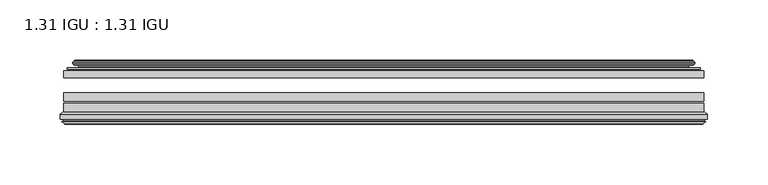
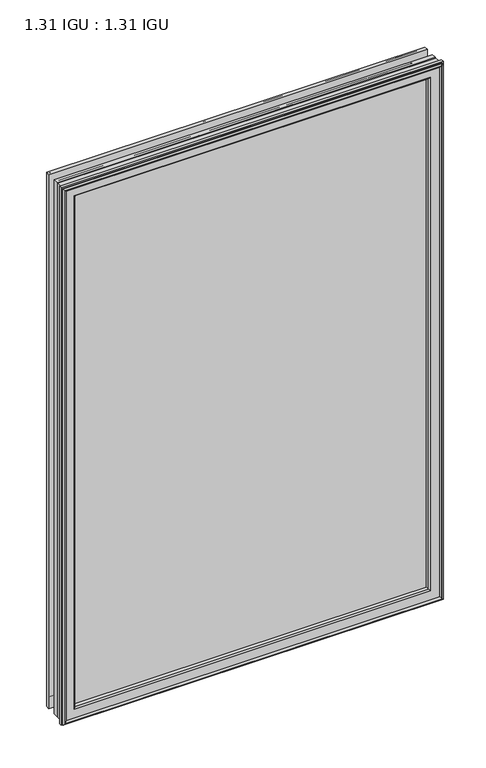
"""IFC4 building model written with IfcOpenShell, lengths in millimetres: plate geometry, 1.31 IGU : 1.31 IGU."""

from ifc_helpers import new_model, si_unit, frame, origin, place, context, project, spatial, polyline, ellipse_curve, outline, extrude, source, transform, mapped, element, save
from ifc_brep_helpers import plane_surface, cylinder_surface, revolved_surface, advanced_brep


def plate_1_31_igu_1_31_igu_9bac46fe(model_context):
    return source(origin(), model_context, "Body", "SolidModel", [
        extrude(outline(polyline([(265.1078362, -44.8960875), (265.1078362, -50.4332875), (-265.1127713, -50.4332875), (-265.1127713, -44.8960875), (265.1078362, -44.8960875)])), frame((0.0, 0.0, -14.2875), z_axis=(0.0, 0.0, 1.0), x_axis=(1.0, 0.0, 0.0)), (0.0, 0.0, 1.0), 790.47848),
        extrude(outline(polyline([(-265.1127713, -78.7796875), (-265.1127713, -71.7692875), (265.1078362, -71.7692875), (265.1078362, -78.7796875), (-265.1127713, -78.7796875)])), frame((0.0, 0.0, -14.2875), z_axis=(0.0, 0.0, 1.0), x_axis=(1.0, 0.0, 0.0)), (0.0, 0.0, 1.0), 790.47848),
        extrude(outline(polyline([(-265.1127713, -70.2452875), (-265.1127713, -63.1332875), (265.1078362, -63.1332875), (265.1078362, -70.2452875), (-265.1127713, -70.2452875)])), frame((0.0, 0.0, -14.2875), z_axis=(0.0, 0.0, 1.0), x_axis=(1.0, 0.0, 0.0)), (0.0, 0.0, 1.0), 790.47848),
        advanced_brep(
        [(-255.7674468, -37.7373382, 766.8456555), (-250.8258138, -36.3108875, 761.9040226), (-250.8258138, -36.3108875, -0.0005426), (-255.7674468, -37.7373382, -4.9421755), (-255.6023415, -36.9605789, 766.6805502), (-255.6023415, -36.9605789, -4.7770702), (-256.1978272, -36.4771203, 767.2760359), (-256.1978272, -36.4771203, -5.3725559), (-257.462463, -37.766076, 768.5406717), (-257.462463, -37.766076, -6.6371917), (-257.4516462, -38.8797852, 768.5298549), (-257.4516462, -38.8797852, -6.6263749), (-256.170161, -40.1361433, 767.2483697), (-256.170161, -40.1361433, -5.3448897), (-255.5651542, -39.649943, 766.6433629), (-255.5651542, -39.649943, -4.7398829), (-256.1191684, -39.0959287, 767.1973772), (-256.1191684, -39.0959287, -5.2938972), (-253.83336, -38.7029881, 764.9115687), (-253.83336, -38.7029881, -3.0080887), (-252.3742869, -40.2107282, 763.4524957), (-252.3742869, -40.2107282, -1.5490157), (-252.6708689, -41.651269, 763.7490776), (-252.6708689, -41.651269, -1.8455976), (-253.4420933, -42.2798875, 764.5203021), (-253.4420933, -42.2798875, -2.6168221), (-261.7460697, -43.4871542, 772.8242784), (-261.4708682, -42.2798875, 772.5490769), (-261.4708682, -42.2798875, -10.6455969), (-261.7460697, -43.4871542, -10.9207984), (-258.288501, -44.8960875, 769.3667097), (-258.288501, -44.8960875, -7.4632297), (-247.1908772, -44.023302, 758.2690859), (-247.5462152, -44.8960875, 758.6244239), (-247.5462152, -44.8960875, 3.2790561), (-247.1908772, -44.023302, 3.6343941), (-247.8620752, -43.3681812, 758.940284), (-247.8620752, -43.3681812, 2.963196), (-249.5028658, -40.6686056, 760.5810746), (-249.5028658, -40.6686056, 1.3224054), (250.8258138, -36.3108875, -0.0005426), (255.7674468, -37.7373382, -4.9421755), (255.6023415, -36.9605789, -4.7770702), (256.1978272, -36.4771203, -5.3725559), (257.462463, -37.766076, -6.6371917), (257.4516462, -38.8797852, -6.6263749), (256.170161, -40.1361433, -5.3448897), (255.5651542, -39.649943, -4.7398829), (256.1191684, -39.0959287, -5.2938972), (253.83336, -38.7029881, -3.0080887), (252.3742869, -40.2107282, -1.5490157), (252.6708689, -41.651269, -1.8455976), (253.4420933, -42.2798875, -2.6168221), (261.4708682, -42.2798875, -10.6455969), (261.7460697, -43.4871542, -10.9207984), (258.288501, -44.8960875, -7.4632297), (247.5462152, -44.8960875, 3.2790561), (247.1908772, -44.023302, 3.6343941), (247.8620752, -43.3681812, 2.963196), (249.5028658, -40.6686056, 1.3224054), (250.8258138, -36.3108875, 761.9040226), (255.7674468, -37.7373382, 766.8456555), (255.6023415, -36.9605789, 766.6805502), (256.1978272, -36.4771203, 767.2760359), (257.462463, -37.766076, 768.5406717), (257.4516462, -38.8797852, 768.5298549), (256.170161, -40.1361433, 767.2483697), (255.5651542, -39.649943, 766.6433629), (256.1191684, -39.0959287, 767.1973772), (253.83336, -38.7029881, 764.9115687), (252.3742869, -40.2107282, 763.4524957), (252.6708689, -41.651269, 763.7490776), (253.4420933, -42.2798875, 764.5203021), (261.4708682, -42.2798875, 772.5490769), (261.7460697, -43.4871542, 772.8242784), (258.288501, -44.8960875, 769.3667097), (247.5462152, -44.8960875, 758.6244239), (247.1908772, -44.023302, 758.2690859), (247.8620752, -43.3681812, 758.940284), (249.5028658, -40.6686056, 760.5810746)],
        [
            (0, 1),
            (1, 2),
            (2, 3),
            (3, 0),
            (4, 0),
            (3, 5),
            (5, 4),
            (6, 4, ellipse_curve(frame((-255.9228584, -36.746901, 767.0010671), z_axis=(-0.7071067811865475, 0.0, -0.7071067811865475), x_axis=(-0.7071067811865474, 0.0, 0.7071067811865476)), 0.5447741, 0.3852135)),
            (5, 7, ellipse_curve(frame((-255.9228584, -36.746901, -5.0975871), z_axis=(-0.7071067811865475, 0.0, 0.7071067811865475), x_axis=(0.7071067811865474, 0.0, 0.7071067811865476)), 0.5447741, 0.3852135)),
            (7, 6),
            (8, 6),
            (7, 9),
            (9, 8),
            (10, 8, ellipse_curve(frame((-256.9004099, -38.3175243, 767.9786187), z_axis=(-0.7071067811865475, 0.0, -0.7071067811865475), x_axis=(-0.7071067811865474, 0.0, 0.7071067811865476)), 1.1135518, 0.7874)),
            (9, 11, ellipse_curve(frame((-256.9004099, -38.3175243, -6.0751387), z_axis=(-0.7071067811865475, 0.0, 0.7071067811865475), x_axis=(0.7071067811865474, 0.0, 0.7071067811865476)), 1.1135518, 0.7874)),
            (11, 10),
            (12, 10),
            (11, 13),
            (13, 12),
            (14, 12, ellipse_curve(frame((-255.8965635, -39.8570738, 766.9747722), z_axis=(-0.7071067811865475, 0.0, -0.7071067811865475), x_axis=(-0.7071067811865474, 0.0, 0.7071067811865476)), 0.552694, 0.3908137)),
            (13, 15, ellipse_curve(frame((-255.8965635, -39.8570738, -5.0712922), z_axis=(-0.7071067811865475, 0.0, 0.7071067811865475), x_axis=(0.7071067811865474, 0.0, 0.7071067811865476)), 0.552694, 0.3908137)),
            (15, 14),
            (16, 14),
            (15, 17),
            (17, 16),
            (18, 16),
            (17, 19),
            (19, 18),
            (20, 18, ellipse_curve(frame((-253.6181974, -39.954629, 764.6964061), z_axis=(0.7071067811865475, 0.0, 0.7071067811865475), x_axis=(0.7071067811865474, 0.0, -0.7071067811865476)), 1.7960512, 1.27)),
            (19, 21, ellipse_curve(frame((-253.6181974, -39.954629, -2.7929261), z_axis=(0.7071067811865475, 0.0, -0.7071067811865475), x_axis=(-0.7071067811865474, 0.0, -0.7071067811865476)), 1.7960512, 1.27)),
            (21, 20),
            (22, 20),
            (21, 23),
            (23, 22),
            (24, 22, ellipse_curve(frame((-253.4420933, -41.4924875, 764.5203021), z_axis=(0.7071067811865475, 0.0, 0.7071067811865475), x_axis=(0.7071067811865474, 0.0, -0.7071067811865476)), 1.1135518, 0.7874)),
            (23, 25, ellipse_curve(frame((-253.4420933, -41.4924875, -2.6168221), z_axis=(0.7071067811865475, 0.0, -0.7071067811865475), x_axis=(-0.7071067811865474, 0.0, -0.7071067811865476)), 1.1135518, 0.7874)),
            (25, 24),
            (26, 27, ellipse_curve(frame((-261.4708682, -42.9148875, 772.5490769), z_axis=(-0.7071067811865475, 0.0, -0.7071067811865475), x_axis=(-0.7071067811865474, 0.0, 0.7071067811865476)), 0.8980256, 0.635)),
            (27, 28),
            (28, 29, ellipse_curve(frame((-261.4708682, -42.9148875, -10.6455969), z_axis=(-0.7071067811865475, 0.0, 0.7071067811865475), x_axis=(0.7071067811865474, 0.0, 0.7071067811865476)), 0.8980256, 0.635)),
            (29, 26),
            (30, 26),
            (29, 31),
            (31, 30),
            (32, 33, ellipse_curve(frame((-247.5462152, -44.3873602, 758.6244239), z_axis=(-0.7071067811865475, 0.0, -0.7071067811865475), x_axis=(-0.7071067811865474, 0.0, 0.7071067811865476)), 0.719449, 0.5087273)),
            (33, 34),
            (34, 35, ellipse_curve(frame((-247.5462152, -44.3873602, 3.2790561), z_axis=(-0.7071067811865475, 0.0, 0.7071067811865475), x_axis=(0.7071067811865474, 0.0, 0.7071067811865476)), 0.719449, 0.5087273)),
            (35, 32),
            (36, 32),
            (35, 37),
            (37, 36),
            (38, 36, ellipse_curve(frame((-243.426701, -38.823959, 754.5049098), z_axis=(0.7071067811865475, 0.0, 0.7071067811865475), x_axis=(0.7071067811865474, 0.0, -0.7071067811865476)), 8.9802561, 6.35)),
            (37, 39, ellipse_curve(frame((-243.426701, -38.823959, 7.3985702), z_axis=(0.7071067811865475, 0.0, -0.7071067811865475), x_axis=(-0.7071067811865474, 0.0, -0.7071067811865476)), 8.9802561, 6.35)),
            (39, 38),
            (1, 38),
            (39, 2),
            (2, 40),
            (40, 41),
            (41, 3),
            (41, 42),
            (42, 5),
            (42, 43, ellipse_curve(frame((255.9228584, -36.746901, -5.0975871), z_axis=(-0.7071067811865475, 0.0, -0.7071067811865475), x_axis=(-0.7071067811865476, 0.0, 0.7071067811865474)), 0.5447741, 0.3852135)),
            (43, 7),
            (43, 44),
            (44, 9),
            (44, 45, ellipse_curve(frame((256.9004099, -38.3175243, -6.0751387), z_axis=(-0.7071067811865475, 0.0, -0.7071067811865475), x_axis=(-0.7071067811865476, 0.0, 0.7071067811865474)), 1.1135518, 0.7874)),
            (45, 11),
            (45, 46),
            (46, 13),
            (46, 47, ellipse_curve(frame((255.8965635, -39.8570738, -5.0712922), z_axis=(-0.7071067811865475, 0.0, -0.7071067811865475), x_axis=(-0.7071067811865476, 0.0, 0.7071067811865474)), 0.552694, 0.3908137)),
            (47, 15),
            (47, 48),
            (48, 17),
            (48, 49),
            (49, 19),
            (49, 50, ellipse_curve(frame((253.6181974, -39.954629, -2.7929261), z_axis=(0.7071067811865475, 0.0, 0.7071067811865475), x_axis=(0.7071067811865476, 0.0, -0.7071067811865474)), 1.7960512, 1.27)),
            (50, 21),
            (50, 51),
            (51, 23),
            (51, 52, ellipse_curve(frame((253.4420933, -41.4924875, -2.6168221), z_axis=(0.7071067811865475, 0.0, 0.7071067811865475), x_axis=(0.7071067811865476, 0.0, -0.7071067811865474)), 1.1135518, 0.7874)),
            (52, 25),
            (28, 53),
            (53, 54, ellipse_curve(frame((261.4708682, -42.9148875, -10.6455969), z_axis=(-0.7071067811865475, 0.0, -0.7071067811865475), x_axis=(-0.7071067811865476, 0.0, 0.7071067811865474)), 0.8980256, 0.635)),
            (54, 29),
            (54, 55),
            (55, 31),
            (34, 56),
            (56, 57, ellipse_curve(frame((247.5462152, -44.3873602, 3.2790561), z_axis=(-0.7071067811865475, 0.0, -0.7071067811865475), x_axis=(-0.7071067811865476, 0.0, 0.7071067811865474)), 0.719449, 0.5087273)),
            (57, 35),
            (57, 58),
            (58, 37),
            (58, 59, ellipse_curve(frame((243.426701, -38.823959, 7.3985702), z_axis=(0.7071067811865475, 0.0, 0.7071067811865475), x_axis=(0.7071067811865476, 0.0, -0.7071067811865474)), 8.9802561, 6.35)),
            (59, 39),
            (59, 40),
            (40, 60),
            (60, 61),
            (61, 41),
            (61, 62),
            (62, 42),
            (62, 63, ellipse_curve(frame((255.9228584, -36.746901, 767.0010671), z_axis=(0.7071067811865475, 0.0, -0.7071067811865475), x_axis=(-0.7071067811865474, 0.0, -0.7071067811865476)), 0.5447741, 0.3852135)),
            (63, 43),
            (63, 64),
            (64, 44),
            (64, 65, ellipse_curve(frame((256.9004099, -38.3175243, 767.9786187), z_axis=(0.7071067811865475, 0.0, -0.7071067811865475), x_axis=(-0.7071067811865474, 0.0, -0.7071067811865476)), 1.1135518, 0.7874)),
            (65, 45),
            (65, 66),
            (66, 46),
            (66, 67, ellipse_curve(frame((255.8965635, -39.8570738, 766.9747722), z_axis=(0.7071067811865475, 0.0, -0.7071067811865475), x_axis=(-0.7071067811865474, 0.0, -0.7071067811865476)), 0.552694, 0.3908137)),
            (67, 47),
            (67, 68),
            (68, 48),
            (68, 69),
            (69, 49),
            (69, 70, ellipse_curve(frame((253.6181974, -39.954629, 764.6964061), z_axis=(-0.7071067811865475, 0.0, 0.7071067811865475), x_axis=(0.7071067811865474, 0.0, 0.7071067811865476)), 1.7960512, 1.27)),
            (70, 50),
            (70, 71),
            (71, 51),
            (71, 72, ellipse_curve(frame((253.4420933, -41.4924875, 764.5203021), z_axis=(-0.7071067811865475, 0.0, 0.7071067811865475), x_axis=(0.7071067811865474, 0.0, 0.7071067811865476)), 1.1135518, 0.7874)),
            (72, 52),
            (53, 73),
            (73, 74, ellipse_curve(frame((261.4708682, -42.9148875, 772.5490769), z_axis=(0.7071067811865475, 0.0, -0.7071067811865475), x_axis=(-0.7071067811865474, 0.0, -0.7071067811865476)), 0.8980256, 0.635)),
            (74, 54),
            (74, 75),
            (75, 55),
            (56, 76),
            (76, 77, ellipse_curve(frame((247.5462152, -44.3873602, 758.6244239), z_axis=(0.7071067811865475, 0.0, -0.7071067811865475), x_axis=(-0.7071067811865474, 0.0, -0.7071067811865476)), 0.719449, 0.5087273)),
            (77, 57),
            (77, 78),
            (78, 58),
            (78, 79, ellipse_curve(frame((243.426701, -38.823959, 754.5049098), z_axis=(-0.7071067811865475, 0.0, 0.7071067811865475), x_axis=(0.7071067811865474, 0.0, 0.7071067811865476)), 8.9802561, 6.35)),
            (79, 59),
            (79, 60),
            (60, 1),
            (0, 61),
            (4, 62),
            (6, 63),
            (8, 64),
            (10, 65),
            (12, 66),
            (14, 67),
            (16, 68),
            (18, 69),
            (20, 70),
            (22, 71),
            (24, 72),
            (27, 73),
            (26, 74),
            (30, 75),
            (33, 76),
            (32, 77),
            (36, 78),
            (38, 79),
        ],
        [
            plane_surface(frame((-250.8258138, -36.3108875, 761.9040226), z_axis=(-0.2773364928492854, 0.9607728502273877, 0.0), x_axis=(0.0, 0.0, -1.0))),
            plane_surface(frame((-255.7674468, -37.7373382, 766.8456555), z_axis=(0.9781476007338358, -0.2079116908176177, 0.0), x_axis=(0.0, 0.0, -1.0))),
            cylinder_surface(frame((-255.9228584, -36.746901, 793.65348), z_axis=(0.0, 0.0, 1.0), x_axis=(-1.0, 0.0, 0.0)), 0.3852135),
            plane_surface(frame((-256.1978272, -36.4771203, 767.2760359), z_axis=(-0.7138087599382162, 0.7003406701280928, 0.0), x_axis=(0.0, 0.0, -1.0))),
            cylinder_surface(frame((-256.9004099, -38.3175243, 793.65348), z_axis=(0.0, 0.0, 1.0), x_axis=(-1.0, 0.0, 0.0)), 0.7874),
            plane_surface(frame((-257.4516462, -38.8797852, 768.5298549), z_axis=(-0.7000714109283732, -0.7140728391423082, 0.0), x_axis=(0.0, 0.0, -1.0))),
            cylinder_surface(frame((-255.8965635, -39.8570738, 793.65348), z_axis=(0.0, 0.0, 1.0), x_axis=(-1.0, 0.0, 0.0)), 0.3908137),
            plane_surface(frame((-255.5651542, -39.649943, 766.6433629), z_axis=(0.7071067811861126, 0.7071067811869826, 0.0), x_axis=(0.0, 0.0, -1.0))),
            plane_surface(frame((-256.1191684, -39.0959287, 767.1973772), z_axis=(0.16941940671011482, -0.9855440449974789, 0.0), x_axis=(0.0, 0.0, -1.0))),
            revolved_surface(polyline([(-254.88819740000002, -39.954629, -4.0629260828783345), (-254.88819740000002, -39.954629, 765.9664060828783)]), (-253.6181974, -39.954629, 793.65348), (0.0, 0.0, -1.0)),
            plane_surface(frame((-252.3742869, -40.2107282, 763.4524957), z_axis=(-0.9794570432566897, 0.201652920670302, 0.0), x_axis=(0.0, 0.0, -1.0))),
            revolved_surface(polyline([(-254.2294933, -41.4924875, -3.4042221289824965), (-254.2294933, -41.4924875, 765.3077021289824)]), (-253.4420933, -41.4924875, 793.65348), (0.0, 0.0, -1.0)),
            cylinder_surface(frame((-261.4708682, -42.9148875, 793.65348), z_axis=(0.0, 0.0, 1.0), x_axis=(-1.0, 0.0, 0.0)), 0.635),
            plane_surface(frame((-261.7460697, -43.4871542, 772.8242784), z_axis=(-0.37736447542757934, -0.9260648209954139, 0.0), x_axis=(0.0, 0.0, -1.0))),
            cylinder_surface(frame((-247.5462152, -44.3873602, 793.65348), z_axis=(0.0, 0.0, 1.0), x_axis=(-1.0, 0.0, 0.0)), 0.5087273),
            plane_surface(frame((-247.1908772, -44.023302, 758.2690859), z_axis=(0.698484125849927, 0.7156255486884628, 0.0), x_axis=(0.0, 0.0, -1.0))),
            revolved_surface(polyline([(-249.776701, -38.823959, 1.0485702148981773), (-249.776701, -38.823959, 760.8549097851018)]), (-243.426701, -38.823959, 793.65348), (0.0, 0.0, -1.0)),
            plane_surface(frame((-249.5028658, -40.6686056, 760.5810746), z_axis=(0.9568763473517009, 0.2904955350411895, 0.0), x_axis=(0.0, 0.0, -1.0))),
            plane_surface(frame((-250.8258138, -36.3108875, -0.0005426), z_axis=(0.0, 0.9607728502273868, -0.2773364928492885), x_axis=(1.0, 0.0, 0.0))),
            plane_surface(frame((-255.7674468, -37.7373382, -4.9421755), z_axis=(0.0, -0.20791169081761454, 0.9781476007338364), x_axis=(1.0, 0.0, 0.0))),
            cylinder_surface(frame((-282.5752713, -36.746901, -5.0975871), z_axis=(-1.0, 0.0, 0.0), x_axis=(0.0, 0.0, -1.0)), 0.3852135),
            plane_surface(frame((-256.1978272, -36.4771203, -5.3725559), z_axis=(0.0, 0.7003406701280904, -0.7138087599382185), x_axis=(1.0, 0.0, 0.0))),
            cylinder_surface(frame((-282.5752713, -38.3175243, -6.0751387), z_axis=(-1.0, 0.0, 0.0), x_axis=(0.0, 0.0, -1.0)), 0.7874),
            plane_surface(frame((-257.4516462, -38.8797852, -6.6263749), z_axis=(0.0, -0.7140728391423105, -0.7000714109283709), x_axis=(1.0, 0.0, 0.0))),
            cylinder_surface(frame((-282.5752713, -39.8570738, -5.0712922), z_axis=(-1.0, 0.0, 0.0), x_axis=(0.0, 0.0, -1.0)), 0.3908137),
            plane_surface(frame((-255.5651542, -39.649943, -4.7398829), z_axis=(0.0, 0.7071067811869849, 0.7071067811861103), x_axis=(1.0, 0.0, 0.0))),
            plane_surface(frame((-256.1191684, -39.0959287, -5.2938972), z_axis=(0.0, -0.9855440449974784, 0.16941940671011801), x_axis=(1.0, 0.0, 0.0))),
            revolved_surface(polyline([(254.88819738287833, -39.954629, -4.0629261), (-254.88819738287825, -39.954629, -4.0629261)]), (-282.5752713, -39.954629, -2.7929261), (1.0, 0.0, 0.0)),
            plane_surface(frame((-252.3742869, -40.2107282, -1.5490157), z_axis=(0.0, 0.20165292067029883, -0.9794570432566904), x_axis=(1.0, 0.0, 0.0))),
            revolved_surface(polyline([(254.22949332898253, -41.4924875, -3.4042220999999997), (-254.2294933289825, -41.4924875, -3.4042220999999997)]), (-282.5752713, -41.4924875, -2.6168221), (1.0, 0.0, 0.0)),
            cylinder_surface(frame((-282.5752713, -42.9148875, -10.6455969), z_axis=(-1.0, 0.0, 0.0), x_axis=(0.0, 0.0, -1.0)), 0.635),
            plane_surface(frame((-261.7460697, -43.4871542, -10.9207984), z_axis=(0.0, -0.9260648209954151, -0.37736447542757634), x_axis=(1.0, 0.0, 0.0))),
            cylinder_surface(frame((-282.5752713, -44.3873602, 3.2790561), z_axis=(-1.0, 0.0, 0.0), x_axis=(0.0, 0.0, -1.0)), 0.5087273),
            plane_surface(frame((-247.1908772, -44.023302, 3.6343941), z_axis=(0.0, 0.7156255486884651, 0.6984841258499247), x_axis=(1.0, 0.0, 0.0))),
            revolved_surface(polyline([(249.77670098510185, -38.823959, 1.0485702000000003), (-249.77670098510185, -38.823959, 1.0485702000000003)]), (-282.5752713, -38.823959, 7.3985702), (1.0, 0.0, 0.0)),
            plane_surface(frame((-249.5028658, -40.6686056, 1.3224054), z_axis=(0.0, 0.29049553504119263, 0.9568763473517), x_axis=(1.0, 0.0, 0.0))),
            plane_surface(frame((250.8258138, -36.3108875, -0.0005426), z_axis=(0.2773364928492916, 0.9607728502273859, 0.0), x_axis=(0.0, 0.0, 1.0))),
            plane_surface(frame((255.7674468, -37.7373382, -4.9421755), z_axis=(-0.9781476007338371, -0.20791169081761138, 0.0), x_axis=(0.0, 0.0, 1.0))),
            cylinder_surface(frame((255.9228584, -36.746901, -31.75), z_axis=(0.0, 0.0, -1.0), x_axis=(1.0, 0.0, 0.0)), 0.3852135),
            plane_surface(frame((256.1978272, -36.4771203, -5.3725559), z_axis=(0.7138087599382208, 0.7003406701280882, 0.0), x_axis=(0.0, 0.0, 1.0))),
            cylinder_surface(frame((256.9004099, -38.3175243, -31.75), z_axis=(0.0, 0.0, -1.0), x_axis=(1.0, 0.0, 0.0)), 0.7874),
            plane_surface(frame((257.4516462, -38.8797852, -6.6263749), z_axis=(0.7000714109283687, -0.7140728391423128, 0.0), x_axis=(0.0, 0.0, 1.0))),
            cylinder_surface(frame((255.8965635, -39.8570738, -31.75), z_axis=(0.0, 0.0, -1.0), x_axis=(1.0, 0.0, 0.0)), 0.3908137),
            plane_surface(frame((255.5651542, -39.649943, -4.7398829), z_axis=(-0.7071067811861079, 0.7071067811869872, 0.0), x_axis=(0.0, 0.0, 1.0))),
            plane_surface(frame((256.1191684, -39.0959287, -5.2938972), z_axis=(-0.1694194067101212, -0.9855440449974778, 0.0), x_axis=(0.0, 0.0, 1.0))),
            revolved_surface(polyline([(254.88819740000002, -39.954629, 765.9664060828783), (254.88819740000002, -39.954629, -4.062926082878235)]), (253.6181974, -39.954629, -31.75), (0.0, 0.0, 1.0)),
            plane_surface(frame((252.3742869, -40.2107282, -1.5490157), z_axis=(0.979457043256691, 0.20165292067029567, 0.0), x_axis=(0.0, 0.0, 1.0))),
            revolved_surface(polyline([(254.2294933, -41.4924875, 765.3077021289824), (254.2294933, -41.4924875, -3.404222128982486)]), (253.4420933, -41.4924875, -31.75), (0.0, 0.0, 1.0)),
            cylinder_surface(frame((261.4708682, -42.9148875, -31.75), z_axis=(0.0, 0.0, -1.0), x_axis=(1.0, 0.0, 0.0)), 0.635),
            plane_surface(frame((261.7460697, -43.4871542, -10.9207984), z_axis=(0.37736447542757334, -0.9260648209954163, 0.0), x_axis=(0.0, 0.0, 1.0))),
            cylinder_surface(frame((247.5462152, -44.3873602, -31.75), z_axis=(0.0, 0.0, -1.0), x_axis=(1.0, 0.0, 0.0)), 0.5087273),
            plane_surface(frame((247.1908772, -44.023302, 3.6343941), z_axis=(-0.6984841258499224, 0.7156255486884673, 0.0), x_axis=(0.0, 0.0, 1.0))),
            revolved_surface(polyline([(249.776701, -38.823959, 760.8549097851018), (249.776701, -38.823959, 1.0485702148981417)]), (243.426701, -38.823959, -31.75), (0.0, 0.0, 1.0)),
            plane_surface(frame((249.5028658, -40.6686056, 1.3224054), z_axis=(-0.9568763473516991, 0.29049553504119574, 0.0), x_axis=(0.0, 0.0, 1.0))),
            plane_surface(frame((250.8258138, -36.3108875, 761.9040226), z_axis=(0.0, 0.9607728502273868, 0.2773364928492885), x_axis=(-1.0, 0.0, 0.0))),
            plane_surface(frame((255.7674468, -37.7373382, 766.8456555), z_axis=(0.0, -0.20791169081761454, -0.9781476007338364), x_axis=(-1.0, 0.0, 0.0))),
            cylinder_surface(frame((282.5752713, -36.746901, 767.0010671), z_axis=(1.0, 0.0, 0.0), x_axis=(0.0, 0.0, 1.0)), 0.3852135),
            plane_surface(frame((256.1978272, -36.4771203, 767.2760359), z_axis=(0.0, 0.7003406701280904, 0.7138087599382185), x_axis=(-1.0, 0.0, 0.0))),
            cylinder_surface(frame((282.5752713, -38.3175243, 767.9786187), z_axis=(1.0, 0.0, 0.0), x_axis=(0.0, 0.0, 1.0)), 0.7874),
            plane_surface(frame((257.4516462, -38.8797852, 768.5298549), z_axis=(0.0, -0.7140728391423106, 0.700071410928371), x_axis=(-1.0, 0.0, 0.0))),
            cylinder_surface(frame((282.5752713, -39.8570738, 766.9747722), z_axis=(1.0, 0.0, 0.0), x_axis=(0.0, 0.0, 1.0)), 0.3908137),
            plane_surface(frame((255.5651542, -39.649943, 766.6433629), z_axis=(0.0, 0.7071067811869849, -0.7071067811861103), x_axis=(-1.0, 0.0, 0.0))),
            plane_surface(frame((256.1191684, -39.0959287, 767.1973772), z_axis=(0.0, -0.9855440449974784, -0.16941940671011801), x_axis=(-1.0, 0.0, 0.0))),
            revolved_surface(polyline([(-254.88819738287833, -39.954629, 765.9664061), (254.88819738287825, -39.954629, 765.9664061)]), (282.5752713, -39.954629, 764.6964061), (-1.0, 0.0, 0.0)),
            plane_surface(frame((252.3742869, -40.2107282, 763.4524957), z_axis=(0.0, 0.20165292067029883, 0.9794570432566904), x_axis=(-1.0, 0.0, 0.0))),
            revolved_surface(polyline([(-254.22949332898253, -41.4924875, 765.3077021), (254.2294933289825, -41.4924875, 765.3077021)]), (282.5752713, -41.4924875, 764.5203021), (-1.0, 0.0, 0.0)),
            plane_surface(frame((253.4420933, -42.2798875, 764.5203021), z_axis=(0.0, 1.0, 0.0), x_axis=(-1.0, 0.0, 0.0))),
            cylinder_surface(frame((282.5752713, -42.9148875, 772.5490769), z_axis=(1.0, 0.0, 0.0), x_axis=(0.0, 0.0, 1.0)), 0.635),
            plane_surface(frame((261.7460697, -43.4871542, 772.8242784), z_axis=(0.0, -0.9260648209954151, 0.37736447542757634), x_axis=(-1.0, 0.0, 0.0))),
            plane_surface(frame((258.288501, -44.8960875, 769.3667097), z_axis=(0.0, -1.0, 0.0), x_axis=(-1.0, 0.0, 0.0))),
            cylinder_surface(frame((282.5752713, -44.3873602, 758.6244239), z_axis=(1.0, 0.0, 0.0), x_axis=(0.0, 0.0, 1.0)), 0.5087273),
            plane_surface(frame((247.1908772, -44.023302, 758.2690859), z_axis=(0.0, 0.7156255486884651, -0.6984841258499247), x_axis=(-1.0, 0.0, 0.0))),
            revolved_surface(polyline([(-249.77670098510185, -38.823959, 760.8549098), (249.77670098510185, -38.823959, 760.8549098)]), (282.5752713, -38.823959, 754.5049098), (-1.0, 0.0, 0.0)),
            plane_surface(frame((249.5028658, -40.6686056, 760.5810746), z_axis=(0.0, 0.29049553504119263, -0.9568763473517), x_axis=(-1.0, 0.0, 0.0))),
        ],
        [
            (0, [[1, 2, 3, 4]]),
            (1, [[5, -4, 6, 7]]),
            (2, [[8, -7, 9, 10]]),
            (3, [[11, -10, 12, 13]]),
            (4, [[14, -13, 15, 16]]),
            (5, [[17, -16, 18, 19]]),
            (6, [[20, -19, 21, 22]]),
            (7, [[23, -22, 24, 25]]),
            (8, [[26, -25, 27, 28]]),
            (9, [[29, -28, 30, 31]]),
            (10, [[32, -31, 33, 34]]),
            (11, [[35, -34, 36, 37]]),
            (12, [[38, 39, 40, 41]]),
            (13, [[42, -41, 43, 44]]),
            (14, [[45, 46, 47, 48]]),
            (15, [[49, -48, 50, 51]]),
            (16, [[52, -51, 53, 54]]),
            (17, [[55, -54, 56, -2]]),
            (18, [[-3, 57, 58, 59]]),
            (19, [[-6, -59, 60, 61]]),
            (20, [[-9, -61, 62, 63]]),
            (21, [[-12, -63, 64, 65]]),
            (22, [[-15, -65, 66, 67]]),
            (23, [[-18, -67, 68, 69]]),
            (24, [[-21, -69, 70, 71]]),
            (25, [[-24, -71, 72, 73]]),
            (26, [[-27, -73, 74, 75]]),
            (27, [[-30, -75, 76, 77]]),
            (28, [[-33, -77, 78, 79]]),
            (29, [[-36, -79, 80, 81]]),
            (30, [[-40, 82, 83, 84]]),
            (31, [[-43, -84, 85, 86]]),
            (32, [[-47, 87, 88, 89]]),
            (33, [[-50, -89, 90, 91]]),
            (34, [[-53, -91, 92, 93]]),
            (35, [[-56, -93, 94, -57]]),
            (36, [[-58, 95, 96, 97]]),
            (37, [[-60, -97, 98, 99]]),
            (38, [[-62, -99, 100, 101]]),
            (39, [[-64, -101, 102, 103]]),
            (40, [[-66, -103, 104, 105]]),
            (41, [[-68, -105, 106, 107]]),
            (42, [[-70, -107, 108, 109]]),
            (43, [[-72, -109, 110, 111]]),
            (44, [[-74, -111, 112, 113]]),
            (45, [[-76, -113, 114, 115]]),
            (46, [[-78, -115, 116, 117]]),
            (47, [[-80, -117, 118, 119]]),
            (48, [[-83, 120, 121, 122]]),
            (49, [[-85, -122, 123, 124]]),
            (50, [[-88, 125, 126, 127]]),
            (51, [[-90, -127, 128, 129]]),
            (52, [[-92, -129, 130, 131]]),
            (53, [[-94, -131, 132, -95]]),
            (54, [[-96, 133, -1, 134]]),
            (55, [[-98, -134, -5, 135]]),
            (56, [[-100, -135, -8, 136]]),
            (57, [[-102, -136, -11, 137]]),
            (58, [[-104, -137, -14, 138]]),
            (59, [[-106, -138, -17, 139]]),
            (60, [[-108, -139, -20, 140]]),
            (61, [[-110, -140, -23, 141]]),
            (62, [[-112, -141, -26, 142]]),
            (63, [[-114, -142, -29, 143]]),
            (64, [[-116, -143, -32, 144]]),
            (65, [[-118, -144, -35, 145]]),
            (66, [[146, -120, -82, -39], [-81, -119, -145, -37]]),
            (67, [[-121, -146, -38, 147]]),
            (68, [[-123, -147, -42, 148]]),
            (69, [[-86, -124, -148, -44], [149, -125, -87, -46]]),
            (70, [[-126, -149, -45, 150]]),
            (71, [[-128, -150, -49, 151]]),
            (72, [[-130, -151, -52, 152]]),
            (73, [[-132, -152, -55, -133]]),
        ],
    ),
        advanced_brep(
        [(-248.1377207, -83.3389875, 759.2159294), (-249.9127868, -85.1296875, 760.9909955), (-249.9127868, -85.1296875, 0.9124845), (-248.1377207, -83.3389875, 2.6875506), (-247.1145114, -78.7796875, 758.1927201), (-247.1145114, -78.7796875, 3.7107599), (-267.6952204, -80.9740477, 778.7734291), (-265.5008601, -78.7796875, 776.5790689), (-265.5008601, -78.7796875, -14.6755889), (-267.6952204, -80.9740477, -16.8699491), (-267.6952204, -85.1296875, 778.7734291), (-267.6952204, -85.1296875, -16.8699491), (-265.1701602, -86.3747112, 776.2483689), (-265.9213872, -85.1296875, 776.9995959), (-265.9213872, -85.1296875, -15.0961159), (-265.1701602, -86.3747112, -14.3448889), (-264.8606311, -87.6502863, 775.9388398), (-264.8606311, -87.6502863, -14.0353598), (-265.8787445, -87.2076396, 776.9569532), (-265.8787445, -87.2076396, -15.0534732), (-264.1917551, -88.8840626, 775.2699638), (-266.6734545, -87.2076396, 777.7516632), (-266.6734545, -87.2076396, -15.8481832), (-264.1917551, -88.8840626, -13.3664838), (-262.0399297, -86.9401656, 773.1181384), (-262.0399297, -86.9401656, -11.2146584), (-263.7472839, -87.5528811, 774.8254926), (-262.8215027, -86.9401656, 773.8997114), (-262.8215027, -86.9401656, -11.9962314), (-263.7472839, -87.5528811, -12.9220126), (-263.6639585, -86.2429356, 774.7421673), (-263.6639585, -86.2429356, -12.8386873), (-263.0657205, -85.1296875, 774.1439292), (-263.0657205, -85.1296875, -12.2404492), (249.9127868, -85.1296875, 0.9124845), (248.1377207, -83.3389875, 2.6875506), (247.1145114, -78.7796875, 3.7107599), (265.5008601, -78.7796875, -14.6755889), (267.6952204, -80.9740477, -16.8699491), (267.6952204, -85.1296875, -16.8699491), (265.9213872, -85.1296875, -15.0961159), (265.1701602, -86.3747112, -14.3448889), (264.8606311, -87.6502863, -14.0353598), (265.8787445, -87.2076396, -15.0534732), (266.6734545, -87.2076396, -15.8481832), (264.1917551, -88.8840626, -13.3664838), (262.0399297, -86.9401656, -11.2146584), (262.8215027, -86.9401656, -11.9962314), (263.7472839, -87.5528811, -12.9220126), (263.6639585, -86.2429356, -12.8386873), (263.0657205, -85.1296875, -12.2404492), (249.9127868, -85.1296875, 760.9909955), (248.1377207, -83.3389875, 759.2159294), (247.1145114, -78.7796875, 758.1927201), (265.5008601, -78.7796875, 776.5790689), (267.6952204, -80.9740477, 778.7734291), (267.6952204, -85.1296875, 778.7734291), (265.9213872, -85.1296875, 776.9995959), (265.1701602, -86.3747112, 776.2483689), (264.8606311, -87.6502863, 775.9388398), (265.8787445, -87.2076396, 776.9569532), (266.6734545, -87.2076396, 777.7516632), (264.1917551, -88.8840626, 775.2699638), (262.0399297, -86.9401656, 773.1181384), (262.8215027, -86.9401656, 773.8997114), (263.7472839, -87.5528811, 774.8254926), (263.6639585, -86.2429356, 774.7421673), (263.0657205, -85.1296875, 774.1439292)],
        [
            (0, 1, ellipse_curve(frame((-250.1642218, -83.1053133, 761.2424305), z_axis=(-0.7071067811865475, 0.0, -0.7071067811865475), x_axis=(-0.7071067811865474, 0.0, 0.7071067811865476)), 2.8848953, 2.039929)),
            (1, 2),
            (2, 3, ellipse_curve(frame((-250.1642218, -83.1053133, 0.6610495), z_axis=(-0.7071067811865475, 0.0, 0.7071067811865475), x_axis=(0.7071067811865474, 0.0, 0.7071067811865476)), 2.8848953, 2.039929)),
            (3, 0),
            (4, 0),
            (3, 5),
            (5, 4),
            (6, 7),
            (7, 8),
            (8, 9),
            (9, 6),
            (10, 6),
            (9, 11),
            (11, 10),
            (12, 13),
            (13, 14),
            (14, 15),
            (15, 12),
            (16, 12),
            (15, 17),
            (17, 16),
            (18, 16),
            (17, 19),
            (19, 18),
            (20, 21),
            (21, 22),
            (22, 23),
            (23, 20),
            (24, 20),
            (23, 25),
            (25, 24),
            (26, 27),
            (27, 28),
            (28, 29),
            (29, 26),
            (30, 26),
            (29, 31),
            (31, 30),
            (32, 30),
            (31, 33),
            (33, 32),
            (2, 34),
            (34, 35, ellipse_curve(frame((250.1642218, -83.1053133, 0.6610495), z_axis=(-0.7071067811865475, 0.0, -0.7071067811865475), x_axis=(-0.7071067811865476, 0.0, 0.7071067811865474)), 2.8848953, 2.039929)),
            (35, 3),
            (35, 36),
            (36, 5),
            (8, 37),
            (37, 38),
            (38, 9),
            (38, 39),
            (39, 11),
            (14, 40),
            (40, 41),
            (41, 15),
            (41, 42),
            (42, 17),
            (42, 43),
            (43, 19),
            (22, 44),
            (44, 45),
            (45, 23),
            (45, 46),
            (46, 25),
            (28, 47),
            (47, 48),
            (48, 29),
            (48, 49),
            (49, 31),
            (49, 50),
            (50, 33),
            (34, 51),
            (51, 52, ellipse_curve(frame((250.1642218, -83.1053133, 761.2424305), z_axis=(0.7071067811865475, 0.0, -0.7071067811865475), x_axis=(-0.7071067811865474, 0.0, -0.7071067811865476)), 2.8848953, 2.039929)),
            (52, 35),
            (52, 53),
            (53, 36),
            (37, 54),
            (54, 55),
            (55, 38),
            (55, 56),
            (56, 39),
            (40, 57),
            (57, 58),
            (58, 41),
            (58, 59),
            (59, 42),
            (59, 60),
            (60, 43),
            (44, 61),
            (61, 62),
            (62, 45),
            (62, 63),
            (63, 46),
            (47, 64),
            (64, 65),
            (65, 48),
            (65, 66),
            (66, 49),
            (66, 67),
            (67, 50),
            (51, 1),
            (0, 52),
            (4, 53),
            (7, 54),
            (6, 55),
            (10, 56),
            (13, 57),
            (12, 58),
            (16, 59),
            (18, 60),
            (21, 61),
            (20, 62),
            (24, 63),
            (27, 64),
            (26, 65),
            (30, 66),
            (32, 67),
        ],
        [
            cylinder_surface(frame((-250.1642218, -83.1053133, 793.65348), z_axis=(0.0, 0.0, 1.0), x_axis=(-1.0, 0.0, 0.0)), 2.039929),
            plane_surface(frame((-248.1377207, -83.3389875, 759.2159294), z_axis=(0.9757302952562701, -0.2189757770145185, 0.0), x_axis=(0.0, 0.0, -1.0))),
            plane_surface(frame((-265.5008601, -78.7796875, 776.5790689), z_axis=(-0.7071067811871722, 0.7071067811859229, 0.0), x_axis=(0.0, 0.0, -1.0))),
            plane_surface(frame((-267.6952204, -80.9740477, 778.7734291), z_axis=(-1.0, 0.0, 0.0), x_axis=(0.0, 0.0, -1.0))),
            plane_surface(frame((-265.9213872, -85.1296875, 776.9995959), z_axis=(-0.8562121193263807, -0.516624434883434, 0.0), x_axis=(0.0, 0.0, -1.0))),
            plane_surface(frame((-265.1701602, -86.3747112, 776.2483689), z_axis=(-0.9717979666139347, -0.23581499546259124, 0.0), x_axis=(0.0, 0.0, -1.0))),
            plane_surface(frame((-264.8606311, -87.6502863, 775.9388398), z_axis=(0.3987175451776161, 0.9170737806564615, 0.0), x_axis=(0.0, 0.0, -1.0))),
            plane_surface(frame((-266.6734545, -87.2076396, 777.7516632), z_axis=(-0.5597655002239059, -0.8286510633306884, 0.0), x_axis=(0.0, 0.0, -1.0))),
            plane_surface(frame((-264.1917551, -88.8840626, 775.2699638), z_axis=(0.670345652676111, -0.7420489916024674, 0.0), x_axis=(0.0, 0.0, -1.0))),
            plane_surface(frame((-262.8215027, -86.9401656, 773.8997114), z_axis=(-0.5519083205498945, 0.8339047941508642, 0.0), x_axis=(0.0, 0.0, -1.0))),
            plane_surface(frame((-263.7472839, -87.5528811, 774.8254926), z_axis=(0.9979830161114805, -0.06348148984572213, 0.0), x_axis=(0.0, 0.0, -1.0))),
            plane_surface(frame((-263.6639585, -86.2429356, 774.7421673), z_axis=(0.8808682216207324, -0.47336157019632297, 0.0), x_axis=(0.0, 0.0, -1.0))),
            cylinder_surface(frame((-282.5752713, -83.1053133, 0.6610495), z_axis=(-1.0, 0.0, 0.0), x_axis=(0.0, 0.0, -1.0)), 2.039929),
            plane_surface(frame((-248.1377207, -83.3389875, 2.6875506), z_axis=(0.0, -0.21897577701451534, 0.9757302952562708), x_axis=(1.0, 0.0, 0.0))),
            plane_surface(frame((-265.5008601, -78.7796875, -14.6755889), z_axis=(0.0, 0.7071067811859205, -0.7071067811871745), x_axis=(1.0, 0.0, 0.0))),
            plane_surface(frame((-267.6952204, -80.9740477, -16.8699491), z_axis=(0.0, 0.0, -1.0), x_axis=(1.0, 0.0, 0.0))),
            plane_surface(frame((-265.9213872, -85.1296875, -15.0961159), z_axis=(0.0, -0.5166244348834368, -0.8562121193263791), x_axis=(1.0, 0.0, 0.0))),
            plane_surface(frame((-265.1701602, -86.3747112, -14.3448889), z_axis=(0.0, -0.23581499546259438, -0.9717979666139339), x_axis=(1.0, 0.0, 0.0))),
            plane_surface(frame((-264.8606311, -87.6502863, -14.0353598), z_axis=(0.0, 0.9170737806564628, 0.39871754517761315), x_axis=(1.0, 0.0, 0.0))),
            plane_surface(frame((-266.6734545, -87.2076396, -15.8481832), z_axis=(0.0, -0.8286510633306902, -0.5597655002239033), x_axis=(1.0, 0.0, 0.0))),
            plane_surface(frame((-264.1917551, -88.8840626, -13.3664838), z_axis=(0.0, -0.7420489916024652, 0.6703456526761135), x_axis=(1.0, 0.0, 0.0))),
            plane_surface(frame((-262.8215027, -86.9401656, -11.9962314), z_axis=(0.0, 0.8339047941508624, -0.5519083205498971), x_axis=(1.0, 0.0, 0.0))),
            plane_surface(frame((-263.7472839, -87.5528811, -12.9220126), z_axis=(0.0, -0.0634814898457189, 0.9979830161114808), x_axis=(1.0, 0.0, 0.0))),
            plane_surface(frame((-263.6639585, -86.2429356, -12.8386873), z_axis=(0.0, -0.47336157019632014, 0.880868221620734), x_axis=(1.0, 0.0, 0.0))),
            cylinder_surface(frame((250.1642218, -83.1053133, -31.75), z_axis=(0.0, 0.0, -1.0), x_axis=(1.0, 0.0, 0.0)), 2.039929),
            plane_surface(frame((248.1377207, -83.3389875, 2.6875506), z_axis=(-0.9757302952562714, -0.21897577701451218, 0.0), x_axis=(0.0, 0.0, 1.0))),
            plane_surface(frame((265.5008601, -78.7796875, -14.6755889), z_axis=(0.7071067811871768, 0.7071067811859182, 0.0), x_axis=(0.0, 0.0, 1.0))),
            plane_surface(frame((267.6952204, -80.9740477, -16.8699491), z_axis=(1.0, 0.0, 0.0), x_axis=(0.0, 0.0, 1.0))),
            plane_surface(frame((265.9213872, -85.1296875, -15.0961159), z_axis=(0.8562121193263774, -0.5166244348834396, 0.0), x_axis=(0.0, 0.0, 1.0))),
            plane_surface(frame((265.1701602, -86.3747112, -14.3448889), z_axis=(0.9717979666139331, -0.23581499546259752, 0.0), x_axis=(0.0, 0.0, 1.0))),
            plane_surface(frame((264.8606311, -87.6502863, -14.0353598), z_axis=(-0.3987175451776102, 0.9170737806564642, 0.0), x_axis=(0.0, 0.0, 1.0))),
            plane_surface(frame((266.6734545, -87.2076396, -15.8481832), z_axis=(0.5597655002239006, -0.8286510633306919, 0.0), x_axis=(0.0, 0.0, 1.0))),
            plane_surface(frame((264.1917551, -88.8840626, -13.3664838), z_axis=(-0.6703456526761159, -0.742048991602463, 0.0), x_axis=(0.0, 0.0, 1.0))),
            plane_surface(frame((262.8215027, -86.9401656, -11.9962314), z_axis=(0.5519083205498998, 0.8339047941508606, 0.0), x_axis=(0.0, 0.0, 1.0))),
            plane_surface(frame((263.7472839, -87.5528811, -12.9220126), z_axis=(-0.997983016111481, -0.06348148984571567, 0.0), x_axis=(0.0, 0.0, 1.0))),
            plane_surface(frame((263.6639585, -86.2429356, -12.8386873), z_axis=(-0.8808682216207355, -0.4733615701963173, 0.0), x_axis=(0.0, 0.0, 1.0))),
            cylinder_surface(frame((282.5752713, -83.1053133, 761.2424305), z_axis=(1.0, 0.0, 0.0), x_axis=(0.0, 0.0, 1.0)), 2.039929),
            plane_surface(frame((248.1377207, -83.3389875, 759.2159294), z_axis=(0.0, -0.21897577701451534, -0.9757302952562708), x_axis=(-1.0, 0.0, 0.0))),
            plane_surface(frame((247.1145114, -78.7796875, 758.1927201), z_axis=(0.0, 1.0, 0.0), x_axis=(-1.0, 0.0, 0.0))),
            plane_surface(frame((265.5008601, -78.7796875, 776.5790689), z_axis=(0.0, 0.7071067811859205, 0.7071067811871745), x_axis=(-1.0, 0.0, 0.0))),
            plane_surface(frame((267.6952204, -80.9740477, 778.7734291), z_axis=(0.0, 0.0, 1.0), x_axis=(-1.0, 0.0, 0.0))),
            plane_surface(frame((267.6952204, -85.1296875, 778.7734291), z_axis=(0.0, -1.0, 0.0), x_axis=(-1.0, 0.0, 0.0))),
            plane_surface(frame((265.9213872, -85.1296875, 776.9995959), z_axis=(0.0, -0.5166244348834368, 0.8562121193263791), x_axis=(-1.0, 0.0, 0.0))),
            plane_surface(frame((265.1701602, -86.3747112, 776.2483689), z_axis=(0.0, -0.23581499546259438, 0.9717979666139339), x_axis=(-1.0, 0.0, 0.0))),
            plane_surface(frame((264.8606311, -87.6502863, 775.9388398), z_axis=(0.0, 0.9170737806564628, -0.39871754517761315), x_axis=(-1.0, 0.0, 0.0))),
            plane_surface(frame((265.8787445, -87.2076396, 776.9569532), z_axis=(0.0, 1.0, 0.0), x_axis=(-1.0, 0.0, 0.0))),
            plane_surface(frame((266.6734545, -87.2076396, 777.7516632), z_axis=(0.0, -0.8286510633306902, 0.5597655002239033), x_axis=(-1.0, 0.0, 0.0))),
            plane_surface(frame((264.1917551, -88.8840626, 775.2699638), z_axis=(0.0, -0.7420489916024652, -0.6703456526761135), x_axis=(-1.0, 0.0, 0.0))),
            plane_surface(frame((262.0399297, -86.9401656, 773.1181384), z_axis=(0.0, 1.0, 0.0), x_axis=(-1.0, 0.0, 0.0))),
            plane_surface(frame((262.8215027, -86.9401656, 773.8997114), z_axis=(0.0, 0.8339047941508624, 0.5519083205498971), x_axis=(-1.0, 0.0, 0.0))),
            plane_surface(frame((263.7472839, -87.5528811, 774.8254926), z_axis=(0.0, -0.0634814898457189, -0.9979830161114808), x_axis=(-1.0, 0.0, 0.0))),
            plane_surface(frame((263.6639585, -86.2429356, 774.7421673), z_axis=(0.0, -0.47336157019632014, -0.880868221620734), x_axis=(-1.0, 0.0, 0.0))),
            plane_surface(frame((263.0657205, -85.1296875, 774.1439292), z_axis=(0.0, -1.0, 0.0), x_axis=(-1.0, 0.0, 0.0))),
        ],
        [
            (0, [[1, 2, 3, 4]]),
            (1, [[5, -4, 6, 7]]),
            (2, [[8, 9, 10, 11]]),
            (3, [[12, -11, 13, 14]]),
            (4, [[15, 16, 17, 18]]),
            (5, [[19, -18, 20, 21]]),
            (6, [[22, -21, 23, 24]]),
            (7, [[25, 26, 27, 28]]),
            (8, [[29, -28, 30, 31]]),
            (9, [[32, 33, 34, 35]]),
            (10, [[36, -35, 37, 38]]),
            (11, [[39, -38, 40, 41]]),
            (12, [[-3, 42, 43, 44]]),
            (13, [[-6, -44, 45, 46]]),
            (14, [[-10, 47, 48, 49]]),
            (15, [[-13, -49, 50, 51]]),
            (16, [[-17, 52, 53, 54]]),
            (17, [[-20, -54, 55, 56]]),
            (18, [[-23, -56, 57, 58]]),
            (19, [[-27, 59, 60, 61]]),
            (20, [[-30, -61, 62, 63]]),
            (21, [[-34, 64, 65, 66]]),
            (22, [[-37, -66, 67, 68]]),
            (23, [[-40, -68, 69, 70]]),
            (24, [[-43, 71, 72, 73]]),
            (25, [[-45, -73, 74, 75]]),
            (26, [[-48, 76, 77, 78]]),
            (27, [[-50, -78, 79, 80]]),
            (28, [[-53, 81, 82, 83]]),
            (29, [[-55, -83, 84, 85]]),
            (30, [[-57, -85, 86, 87]]),
            (31, [[-60, 88, 89, 90]]),
            (32, [[-62, -90, 91, 92]]),
            (33, [[-65, 93, 94, 95]]),
            (34, [[-67, -95, 96, 97]]),
            (35, [[-69, -97, 98, 99]]),
            (36, [[-72, 100, -1, 101]]),
            (37, [[-74, -101, -5, 102]]),
            (38, [[103, -76, -47, -9], [-46, -75, -102, -7]]),
            (39, [[-77, -103, -8, 104]]),
            (40, [[-79, -104, -12, 105]]),
            (41, [[-51, -80, -105, -14], [106, -81, -52, -16]]),
            (42, [[-82, -106, -15, 107]]),
            (43, [[-84, -107, -19, 108]]),
            (44, [[-86, -108, -22, 109]]),
            (45, [[110, -88, -59, -26], [-58, -87, -109, -24]]),
            (46, [[-89, -110, -25, 111]]),
            (47, [[-91, -111, -29, 112]]),
            (48, [[113, -93, -64, -33], [-63, -92, -112, -31]]),
            (49, [[-94, -113, -32, 114]]),
            (50, [[-96, -114, -36, 115]]),
            (51, [[-98, -115, -39, 116]]),
            (52, [[-70, -99, -116, -41], [-100, -71, -42, -2]]),
        ],
    ),
    ])


if __name__ == "__main__":
    model = new_model("IFC4")
    model_context = context("Model", 3, world=origin())
    ifc_project = project(units=[si_unit("LENGTHUNIT", "METRE", prefix="MILLI")], contexts=[model_context])
    site = spatial("IfcSite", under=ifc_project)
    building = spatial("IfcBuilding", under=site)
    placement = place(None, origin())
    plate_1_31_igu_1_31_igu_shape = plate_1_31_igu_1_31_igu_9bac46fe(model_context)
    element("IfcPlate", 1, ObjectType="1.31 IGU : 1.31 IGU", at=placement, inside=building, context=model_context, shape_type="MappedRepresentation", body=[
        mapped(plate_1_31_igu_1_31_igu_shape, transform((0.0, 0.0, 0.0), x_axis=(1.0, 0.0, 0.0), y_axis=(0.0, 1.0, 0.0), z_axis=(0.0, 0.0, 1.0))),
    ])
    save(model, "model.ifc")
